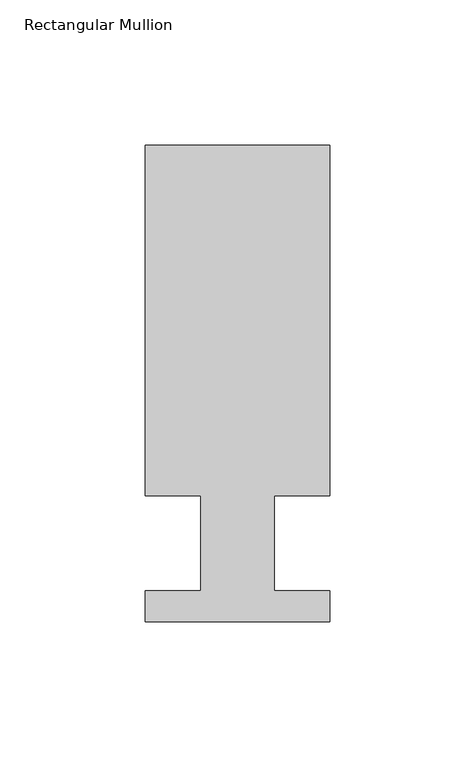
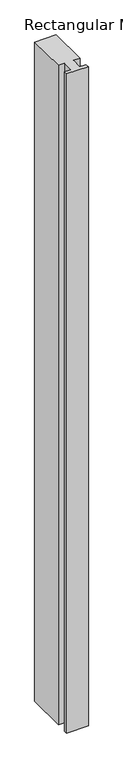
"""IFC4 building model written with IfcOpenShell, lengths in millimetres: member geometry, Rectangular Mullion."""

from ifc_helpers import new_model, si_unit, frame, origin, place, context, project, spatial, polyline, outline, extrude, source, transform, mapped, element, save


def rectangular_mullion_fbee025a(model_context):
    return source(origin(), model_context, "Body", "SweptSolid", [
        extrude(outline(polyline([(31.75, 152.4), (31.75, 31.75), (12.7, 31.75), (12.7, -1.016), (31.75, -1.016), (31.75, -11.684), (-31.75, -11.684), (-31.75, -1.016), (-12.7, -1.016), (-12.7, 31.75), (-31.75, 31.75), (-31.75, 152.4), (31.75, 152.4)])), frame((0.0, 0.0, -2057.3828337), z_axis=(0.0, 0.0, 1.0), x_axis=(1.0, 0.0, 0.0)), (0.0, 0.0, 1.0), 2057.3828337),
    ])


if __name__ == "__main__":
    model = new_model("IFC4")
    model_context = context("Model", 3, world=origin())
    ifc_project = project(units=[si_unit("LENGTHUNIT", "METRE", prefix="MILLI")], contexts=[model_context])
    site = spatial("IfcSite", under=ifc_project)
    building = spatial("IfcBuilding", under=site)
    placement = place(None, origin())
    rectangular_mullion_shape = rectangular_mullion_fbee025a(model_context)
    element("IfcMember", 1, ObjectType="Rectangular Mullion", at=placement, inside=building, context=model_context, shape_type="MappedRepresentation", body=[
        mapped(rectangular_mullion_shape, transform((0.0, 0.0, 0.0), x_axis=(1.0, 0.0, 0.0), y_axis=(0.0, 1.0, 0.0), z_axis=(0.0, 0.0, 1.0))),
    ])
    save(model, "model.ifc")
